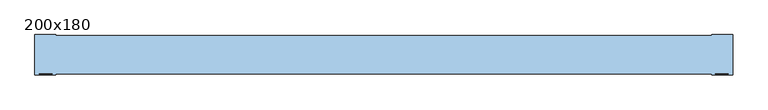
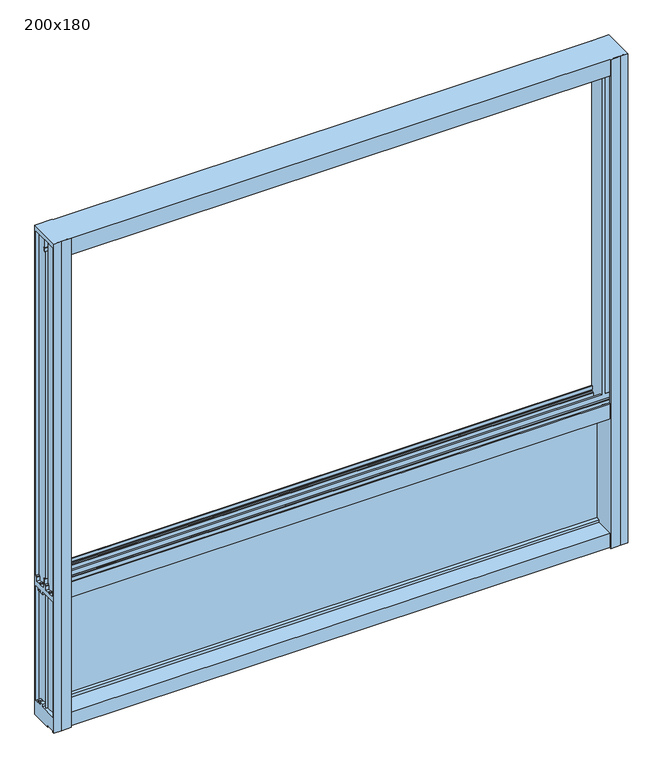
"""IFC4 building model written with IfcOpenShell, lengths in millimetres: window geometry, 200x180."""

from ifc_helpers import new_model, si_unit, frame, origin, place, context, project, spatial, polyline, outline, extrude, faceted_brep, source, transform, mapped, element, save


def window_200x180_ba4233e7(model_context):
    return source(origin(), model_context, "Body", "SolidModel", [
        faceted_brep([(1013.35, -5.3, 2473.5), (1013.35, -5.3, 673.5), (977.05, -5.3, 673.5), (977.05, -5.3, 2473.5), (977.05, 49.9, 2455.0), (977.05, 47.35, 2455.0), (977.05, 47.35, 2424.7), (977.05, 49.9, 2424.7), (977.05, 49.9, 2412.0), (977.05, 47.35, 2412.0), (977.05, 47.35, 1206.05), (977.05, 49.9, 1206.05), (977.05, -0.85, 2455.0), (977.05, -3.45, 2455.0), (977.05, -3.45, 2426.5), (977.05, -0.85, 2426.5), (977.05, 29.65, 673.5), (977.05, 29.65, 677.75), (977.05, -4.95, 677.75), (977.05, -4.95, 728.8026988), (977.05, 49.9, 728.8026988), (977.05, 49.9, 1150.55), (977.05, -4.95, 1150.55), (977.05, -4.95, 1206.05), (977.05, -0.85, 1206.05), (977.05, -0.85, 2412.0), (977.05, -4.95, 2412.0), (977.05, -4.95, 2473.5), (977.05, 4.3, 1173.5), (977.05, 4.3, 1169.65), (977.05, 21.0, 1169.65), (977.05, 21.0, 1173.5), (977.05, 25.5, 1173.5), (977.05, 25.5, 1169.65), (977.05, 42.2, 1169.65), (977.05, 42.2, 1173.5), (-973.8, 108.1, 2473.5), (-973.8, -6.8, 2473.5), (-946.5952323, -6.8, 2473.5), (-913.45, -6.8, 2473.5), (-913.45, -4.95, 2473.5), (965.85, -4.95, 2473.5), (965.85, -6.8, 2473.5), (998.9952323, -6.8, 2473.5), (1026.2, -6.8, 2473.5), (1026.2, 108.1, 2473.5), (965.85, 108.1, 2473.5), (965.85, 106.25, 2473.5), (-913.45, 106.25, 2473.5), (-913.45, 108.1, 2473.5), (1013.35, -4.95, 2473.5), (-960.95, -5.3, 2473.5), (-960.95, -4.95, 2473.5), (-924.65, -4.95, 2473.5), (-924.65, -5.3, 2473.5), (1013.35, -4.95, 2412.0), (-960.95, -4.95, 2412.0), (-924.65, -4.95, 2412.0), (-913.45, -4.95, 2412.0), (965.85, -4.95, 2412.0), (1013.35, -0.85, 2412.0), (965.85, -0.85, 2412.0), (-913.45, -0.85, 2412.0), (-960.95, -0.85, 2412.0), (-924.65, -0.85, 2412.0), (1013.35, -0.85, 1206.05), (1013.35, -0.85, 1188.85), (-960.95, -0.85, 1188.85), (-960.95, -0.85, 1206.05), (-924.65, -0.85, 1206.05), (-960.95, -0.85, 2426.5), (-924.65, -0.85, 2426.5), (-924.65, -0.85, 2455.0), (-913.45, -0.85, 2455.0), (-913.45, -0.85, 2426.5), (965.85, -0.85, 2426.5), (965.85, -0.85, 2455.0), (1013.35, -0.85, 2426.5), (-913.45, -0.85, 1206.05), (965.85, -0.85, 1206.05), (1013.35, 49.9, 2424.7), (1013.35, 49.9, 2455.0), (1013.35, 49.9, 1206.05), (1013.35, 49.9, 2412.0), (1013.35, 49.9, 728.8026988), (1013.35, 49.9, 1150.55), (-973.8, 47.35, 2424.7), (-962.75, 47.35, 2424.7), (-962.75, 49.9, 2424.7), (-973.8, 49.9, 2424.7), (965.85, 47.35, 2424.7), (965.85, 49.9, 2424.7), (-913.45, 49.9, 2424.7), (-913.45, 47.35, 2424.7), (-924.65, 47.35, 2424.7), (-924.65, 49.9, 2424.7), (-960.95, 49.9, 2424.7), (-960.95, 47.35, 2424.7), (1013.35, 47.35, 2424.7), (1015.15, 49.9, 2424.7), (1015.15, 47.35, 2424.7), (1026.2, 47.35, 2424.7), (1026.2, 49.9, 2424.7), (1015.15, 47.35, 2412.0), (1026.2, 47.35, 2412.0), (-973.8, 47.35, 2412.0), (-962.75, 47.35, 2412.0), (1026.2, 47.35, 1206.05), (1015.15, 47.35, 1206.05), (1015.15, 47.35, 1188.85), (1026.2, 47.35, 1188.85), (-973.8, 47.35, 1188.85), (-962.75, 47.35, 1188.85), (-962.75, 47.35, 1206.05), (-973.8, 47.35, 1206.05), (-960.95, 47.35, 1188.85), (1013.35, 47.35, 1188.85), (1013.35, 47.35, 1206.05), (1013.35, 47.35, 2412.0), (965.85, 47.35, 2455.0), (-913.45, 47.35, 2455.0), (-924.65, 47.35, 2455.0), (-960.95, 47.35, 2412.0), (-924.65, 47.35, 2412.0), (-924.65, 47.35, 1206.05), (-960.95, 47.35, 1206.05), (-913.45, 47.35, 1206.05), (-913.45, 47.35, 2412.0), (965.85, 47.35, 2412.0), (965.85, 47.35, 1206.05), (965.85, 49.9, 2455.0), (1013.35, 22.7303848, 2455.0), (1013.35, -3.45, 2455.0), (965.85, -3.45, 2455.0), (-913.45, -3.45, 2455.0), (-924.65, -3.45, 2455.0), (-960.95, -3.45, 2455.0), (-960.95, 22.7303848, 2455.0), (-960.95, 49.9, 2455.0), (-924.65, 49.9, 2455.0), (-913.45, 49.9, 2455.0), (-962.75, 49.9, 2455.0), (-962.75, -0.5850342, 2455.0), (-973.8, -0.5850342, 2455.0), (-973.8, 49.9, 2455.0), (1026.2, 49.9, 2455.0), (1026.2, -0.5850342, 2455.0), (1015.15, -0.5850342, 2455.0), (1015.15, 49.9, 2455.0), (1015.15, 49.9, 2412.0), (1021.428222, 49.9, 2412.0), (1021.428222, 51.425037, 2412.0), (1015.15, 51.425037, 2412.0), (1015.15, 53.95, 2412.0), (1026.2, 53.95, 2412.0), (-973.8, 53.95, 2412.0), (-962.75, 53.95, 2412.0), (-962.75, 51.425037, 2412.0), (-969.028222, 51.425037, 2412.0), (-969.028222, 49.9, 2412.0), (-962.75, 49.9, 2412.0), (-913.45, 53.95, 2412.0), (965.85, 53.95, 2412.0), (-960.95, 49.9, 2412.0), (-924.65, 49.9, 2412.0), (-913.45, -3.45, 2426.5), (965.85, -3.45, 2426.5), (-924.65, -3.45, 2426.5), (-960.95, -3.45, 2426.5), (1013.35, -3.45, 2426.5), (1026.2, 108.1, 673.5), (965.85, 108.1, 673.5), (965.85, 106.25, 673.5), (965.85, 106.25, 728.8026988), (965.85, 90.05, 728.8026988), (965.85, 90.05, 738.4026988), (965.85, 81.05, 738.4026988), (965.85, 81.05, 729.8026988), (965.85, 75.05, 729.8026988), (965.85, 75.05, 738.4026988), (965.85, 61.75, 738.4026988), (965.85, 61.75, 728.8026988), (965.85, -4.95, 728.8026988), (965.85, -4.95, 677.75), (965.85, 29.65, 677.75), (965.85, 29.65, 673.5), (965.85, -6.8, 673.5), (965.85, -4.95, 1206.05), (965.85, -4.95, 1150.55), (965.85, 61.7500001, 1150.55), (965.85, 61.7500001, 1140.95), (965.85, 75.0500001, 1140.95), (965.85, 75.0500001, 1149.55), (965.85, 81.0500001, 1149.55), (965.85, 81.0500001, 1140.95), (965.85, 90.0500001, 1140.95), (965.85, 90.0500001, 1150.55), (965.85, 106.25, 1150.55), (965.85, 106.25, 1206.05), (965.85, 102.15, 1206.05), (965.85, 102.15, 1194.85), (965.85, 104.75, 1194.85), (965.85, 104.75, 1188.85), (965.85, 101.205881, 1188.85), (965.85, 99.75, 1184.85), (965.85, 97.0, 1184.85), (965.85, 97.0, 1169.65), (965.85, 80.3, 1169.65), (965.85, 80.3, 1173.6231379), (965.85, 75.8, 1173.6231379), (965.85, 75.8, 1169.65), (965.85, 59.1000001, 1169.65), (965.85, 59.1000001, 1184.85), (965.85, 56.4000001, 1184.85), (965.85, 54.9441191, 1188.85), (965.85, 53.9500001, 1188.85), (965.85, 53.9500001, 1206.05), (965.85, 53.95, 2424.7), (965.85, 51.4, 2424.7), (965.85, 51.4, 2455.0), (965.85, 104.75, 2455.0), (965.85, 104.75, 2426.5), (965.85, 102.15, 2426.5), (965.85, 102.15, 2412.0), (965.85, 106.25, 2412.0), (965.85, 21.0, 1173.5), (965.85, 21.0, 1169.65), (965.85, 4.3, 1169.65), (965.85, 4.3, 1173.5), (965.85, 42.2, 1173.5), (965.85, 42.2, 1169.65), (965.85, 25.5, 1169.65), (965.85, 25.5, 1173.5), (-913.45, 106.25, 2412.0), (-913.45, 102.15, 2412.0), (-913.45, 102.15, 2426.5), (-913.45, 104.75, 2426.5), (-913.45, 104.75, 2455.0), (-913.45, 51.4, 2455.0), (-973.8, 51.4, 2455.0), (-973.8, 101.8850342, 2455.0), (-962.75, 101.8850342, 2455.0), (-962.75, 51.425037, 2455.0), (1015.15, 51.425037, 2455.0), (1015.15, 101.8850342, 2455.0), (1026.2, 101.8850342, 2455.0), (1026.2, 51.4, 2455.0), (1021.428222, 51.425037, 1206.05), (1015.15, 51.425037, 1206.05), (-962.75, 51.425037, 1206.05), (-969.028222, 51.425037, 1206.05), (-913.45, 51.425037, 2424.7), (1026.2, 51.425037, 2424.7), (1015.15, 51.425037, 2424.7), (-962.75, 51.425037, 2424.7), (-973.8, 51.425037, 2424.7), (-969.028222, 51.425037, 1150.55), (-962.75, 51.425037, 1150.55), (-962.75, 51.425037, 728.8026988), (-969.028222, 51.425037, 728.8026988), (1015.15, 51.425037, 1150.55), (1021.428222, 51.425037, 1150.55), (1021.428222, 51.425037, 728.8026988), (1015.15, 51.425037, 728.8026988), (-913.45, 53.95, 2424.7), (1026.2, 53.95, 2424.7), (1015.15, 53.95, 2424.7), (-962.75, 53.95, 2424.7), (-973.8, 53.95, 2424.7), (998.9952323, -6.8, 673.5), (1015.15, 49.9, 1206.05), (1021.428222, 49.9, 1206.05), (-969.028222, 49.9, 1206.05), (-962.75, 49.9, 1206.05), (-962.75, 49.9, 1150.55), (-969.028222, 49.9, 1150.55), (-969.028222, 49.9, 728.8026988), (-962.75, 49.9, 728.8026988), (1021.428222, 49.9, 1150.55), (1015.15, 49.9, 1150.55), (1015.15, 49.9, 728.8026988), (1021.428222, 49.9, 728.8026988), (-946.5952323, -6.8, 673.5), (-913.45, -6.8, 673.5), (-913.45, 29.65, 673.5), (-913.45, 29.65, 677.75), (-913.45, -4.95, 677.75), (-913.45, -4.95, 728.8026988), (-913.45, 61.75, 728.8026988), (-913.45, 61.75, 738.4026988), (-913.45, 75.05, 738.4026988), (-913.45, 75.05, 729.8026988), (-913.45, 81.05, 729.8026988), (-913.45, 81.05, 738.4026988), (-913.45, 90.05, 738.4026988), (-913.45, 90.05, 728.8026988), (-913.45, 106.25, 728.8026988), (-913.45, 106.25, 673.5), (-913.45, 108.1, 673.5), (-913.45, 53.9500001, 1206.05), (-913.45, 53.9500001, 1188.85), (-913.45, 54.9441191, 1188.85), (-913.45, 56.4000001, 1184.85), (-913.45, 59.1000001, 1184.85), (-913.45, 59.1000001, 1169.65), (-913.45, 75.8, 1169.65), (-913.45, 75.8, 1173.6231379), (-913.45, 80.3, 1173.6231379), (-913.45, 80.3, 1169.65), (-913.45, 97.0, 1169.65), (-913.45, 97.0, 1184.85), (-913.45, 99.75, 1184.85), (-913.45, 101.205881, 1188.85), (-913.45, 104.75, 1188.85), (-913.45, 104.75, 1194.85), (-913.45, 102.15, 1194.85), (-913.45, 102.15, 1206.05), (-913.45, 106.25, 1206.05), (-913.45, 106.25, 1150.55), (-913.45, 90.0500001, 1150.55), (-913.45, 90.0500001, 1140.95), (-913.45, 81.0500001, 1140.95), (-913.45, 81.0500001, 1149.55), (-913.45, 75.0500001, 1149.55), (-913.45, 75.0500001, 1140.95), (-913.45, 61.7500001, 1140.95), (-913.45, 61.7500001, 1150.55), (-913.45, -4.95, 1150.55), (-913.45, -4.95, 1206.05), (-913.45, 4.3, 1173.5), (-913.45, 4.3, 1169.65), (-913.45, 21.0, 1169.65), (-913.45, 21.0, 1173.5), (-913.45, 25.5, 1173.5), (-913.45, 25.5, 1169.65), (-913.45, 42.2, 1169.65), (-913.45, 42.2, 1173.5), (-973.8, 108.1, 673.5), (-924.65, -4.95, 1206.05), (-924.65, -4.95, 1150.55), (-924.65, 49.9, 1150.55), (-924.65, 49.9, 728.8026988), (-924.65, -4.95, 728.8026988), (-924.65, -4.95, 677.75), (-924.65, 29.65, 677.75), (-924.65, 29.65, 673.5), (-924.65, -5.3, 673.5), (-924.65, 49.9, 1206.05), (-924.65, 21.0, 1173.5), (-924.65, 21.0, 1169.65), (-924.65, 4.3, 1169.65), (-924.65, 4.3, 1173.5), (-924.65, 42.2, 1173.5), (-924.65, 42.2, 1169.65), (-924.65, 25.5, 1169.65), (-924.65, 25.5, 1173.5), (-960.95, -5.3, 673.5), (-960.95, 49.9, 1206.05), (-960.95, 49.9, 1150.55), (-960.95, 49.9, 728.8026988), (-960.95, 22.7303848, 673.5), (-960.95, 22.7303848, 677.75), (-960.95, -4.95, 677.75), (-960.95, -4.95, 728.8026988), (-960.95, 22.7303848, 728.8026988), (-960.95, 22.7303848, 1150.55), (-960.95, -4.95, 1150.55), (-960.95, -4.95, 1206.05), (-960.95, 0.0941191, 1188.85), (-960.95, 1.55, 1184.85), (-960.95, 4.3, 1184.85), (-960.95, 4.3, 1169.65), (-960.95, 21.0, 1169.65), (-960.95, 21.0, 1173.6231379), (-960.95, 22.7303848, 1173.6231379), (1026.2, -6.8, 673.5), (1026.2, -0.5850342, 673.5), (1026.2, -0.5850342, 677.75), (1026.2, 29.65, 677.75), (1026.2, 29.65, 673.5), (1026.2, 101.8850342, 1188.85), (1026.2, 101.205881, 1188.85), (1026.2, 99.75, 1184.85), (1026.2, 97.0, 1184.85), (1026.2, 97.0, 1169.65), (1026.2, 80.3, 1169.65), (1026.2, 80.3, 1173.6231379), (1026.2, 75.8, 1173.6231379), (1026.2, 75.8, 1169.65), (1026.2, 59.1000001, 1169.65), (1026.2, 59.1000001, 1184.85), (1026.2, 56.4000001, 1184.85), (1026.2, 54.9441191, 1188.85), (1026.2, 53.9500001, 1188.85), (1026.2, 53.9500001, 1206.05), (1026.2, 46.355881, 1188.85), (1026.2, 44.9, 1184.85), (1026.2, 42.2, 1184.85), (1026.2, 42.2, 1169.65), (1026.2, 25.5, 1169.65), (1026.2, 25.5, 1173.6231379), (1026.2, 21.0, 1173.6231379), (1026.2, 21.0, 1169.65), (1026.2, 4.3, 1169.65), (1026.2, 4.3, 1184.85), (1026.2, 1.55, 1184.85), (1026.2, 0.0941191, 1188.85), (1026.2, -0.5850342, 1188.85), (1026.2, 61.7500001, 1150.55), (1026.2, 61.7500001, 1140.95), (1026.2, 75.0500001, 1140.95), (1026.2, 75.0500001, 1149.55), (1026.2, 81.0500001, 1149.55), (1026.2, 81.0500001, 1140.95), (1026.2, 90.0500001, 1140.95), (1026.2, 90.0500001, 1150.55), (1026.2, 101.8850342, 1150.55), (1026.2, 101.8850342, 728.8026988), (1026.2, 90.05, 728.8026988), (1026.2, 90.05, 738.4026988), (1026.2, 81.05, 738.4026988), (1026.2, 81.05, 729.8026988), (1026.2, 75.05, 729.8026988), (1026.2, 75.05, 738.4026988), (1026.2, 61.75, 738.4026988), (1026.2, 61.75, 728.8026988), (1026.2, -0.5850342, 728.8026988), (1026.2, -0.5850342, 1150.55), (-973.8, -6.8, 673.5), (-973.8, 29.65, 673.5), (-973.8, 29.65, 677.75), (-973.8, -0.5850342, 677.75), (-973.8, -0.5850342, 673.5), (-973.8, -0.5850342, 1188.85), (-973.8, 0.0941191, 1188.85), (-973.8, 1.55, 1184.85), (-973.8, 4.3, 1184.85), (-973.8, 4.3, 1169.65), (-973.8, 21.0, 1169.65), (-973.8, 21.0, 1173.6231379), (-973.8, 25.5, 1173.6231379), (-973.8, 25.5, 1169.65), (-973.8, 42.2, 1169.65), (-973.8, 42.2, 1184.85), (-973.8, 44.9, 1184.85), (-973.8, 46.355881, 1188.85), (-973.8, 53.9500001, 1206.05), (-973.8, 53.9500001, 1188.85), (-973.8, 54.9441191, 1188.85), (-973.8, 56.4000001, 1184.85), (-973.8, 59.1000001, 1184.85), (-973.8, 59.1000001, 1169.65), (-973.8, 75.8, 1169.65), (-973.8, 75.8, 1173.6231379), (-973.8, 80.3, 1173.6231379), (-973.8, 80.3, 1169.65), (-973.8, 97.0, 1169.65), (-973.8, 97.0, 1184.85), (-973.8, 99.75, 1184.85), (-973.8, 101.205881, 1188.85), (-973.8, 101.8850342, 1188.85), (-973.8, 90.0500001, 1150.55), (-973.8, 90.0500001, 1140.95), (-973.8, 81.0500001, 1140.95), (-973.8, 81.0500001, 1149.55), (-973.8, 75.0500001, 1149.55), (-973.8, 75.0500001, 1140.95), (-973.8, 61.7500001, 1140.95), (-973.8, 61.7500001, 1150.55), (-973.8, -0.5850342, 1150.55), (-973.8, -0.5850342, 728.8026988), (-973.8, 61.75, 728.8026988), (-973.8, 61.75, 738.4026988), (-973.8, 75.05, 738.4026988), (-973.8, 75.05, 729.8026988), (-973.8, 81.05, 729.8026988), (-973.8, 81.05, 738.4026988), (-973.8, 90.05, 738.4026988), (-973.8, 90.05, 728.8026988), (-973.8, 101.8850342, 728.8026988), (-973.8, 101.8850342, 1150.55), (1013.35, 22.7303848, 1173.6231379), (1013.35, 21.0, 1173.6231379), (1013.35, 21.0, 1169.65), (1013.35, 4.3, 1169.65), (1013.35, 4.3, 1184.85), (1013.35, 1.55, 1184.85), (1013.35, 0.0941191, 1188.85), (1013.35, -4.95, 1206.05), (1013.35, -4.95, 1150.55), (1013.35, 22.7303848, 1150.55), (1013.35, 22.7303848, 728.8026988), (1013.35, -4.95, 728.8026988), (1013.35, -4.95, 677.75), (1013.35, 22.7303848, 677.75), (1013.35, 22.7303848, 673.5), (-962.75, 101.8850342, 1188.85), (-962.75, 101.8850342, 1150.55), (-962.75, 101.8850342, 728.8026988), (-962.75, -0.5850342, 1188.85), (-962.75, -0.5850342, 677.75), (-962.75, -0.5850342, 673.5), (-962.75, -0.5850342, 1150.55), (-962.75, -0.5850342, 728.8026988), (-962.75, 46.355881, 1188.85), (-962.75, 44.9, 1184.85), (-962.75, 42.2, 1184.85), (-962.75, 42.2, 1169.65), (-962.75, 25.5, 1169.65), (-962.75, 25.5, 1173.6231379), (-962.75, 21.0, 1173.6231379), (-962.75, 21.0, 1169.65), (-962.75, 4.3, 1169.65), (-962.75, 4.3, 1184.85), (-962.75, 1.55, 1184.85), (-962.75, 0.0941191, 1188.85), (-962.75, 29.65, 677.75), (-962.75, 29.65, 673.5), (1015.15, -0.5850342, 1188.85), (1015.15, 0.0941191, 1188.85), (1015.15, 1.55, 1184.85), (1015.15, 4.3, 1184.85), (1015.15, 4.3, 1169.65), (1015.15, 21.0, 1169.65), (1015.15, 21.0, 1173.6231379), (1015.15, 25.5, 1173.6231379), (1015.15, 25.5, 1169.65), (1015.15, 42.2, 1169.65), (1015.15, 42.2, 1184.85), (1015.15, 44.9, 1184.85), (1015.15, 46.355881, 1188.85), (1015.15, 29.65, 673.5), (1015.15, 29.65, 677.75), (1015.15, -0.5850342, 677.75), (1015.15, -0.5850342, 673.5), (1015.15, -0.5850342, 1150.55), (1015.15, -0.5850342, 728.8026988), (1015.15, 53.9500001, 1206.05), (1015.15, 53.9500001, 1188.85), (1015.15, 54.9441191, 1188.85), (1015.15, 56.4000001, 1184.85), (1015.15, 59.1000001, 1184.85), (1015.15, 59.1000001, 1169.65), (1015.15, 75.8, 1169.65), (1015.15, 75.8, 1173.6231379), (1015.15, 80.3, 1173.6231379), (1015.15, 80.3, 1169.65), (1015.15, 97.0, 1169.65), (1015.15, 97.0, 1184.85), (1015.15, 99.75, 1184.85), (1015.15, 101.205881, 1188.85), (1015.15, 101.8850342, 1188.85), (1015.15, 101.8850342, 1150.55), (1015.15, 90.0500001, 1150.55), (1015.15, 90.0500001, 1140.95), (1015.15, 81.0500001, 1140.95), (1015.15, 81.0500001, 1149.55), (1015.15, 75.0500001, 1149.55), (1015.15, 75.0500001, 1140.95), (1015.15, 61.7500001, 1140.95), (1015.15, 61.7500001, 1150.55), (1015.15, 61.75, 728.8026988), (1015.15, 61.75, 738.4026988), (1015.15, 75.05, 738.4026988), (1015.15, 75.05, 729.8026988), (1015.15, 81.05, 729.8026988), (1015.15, 81.05, 738.4026988), (1015.15, 90.05, 738.4026988), (1015.15, 90.05, 728.8026988), (1015.15, 101.8850342, 728.8026988), (-962.75, 101.205881, 1188.85), (-962.75, 99.75, 1184.85), (-962.75, 97.0, 1184.85), (-962.75, 97.0, 1169.65), (-962.75, 80.3, 1169.65), (-962.75, 80.3, 1173.6231379), (-962.75, 75.8, 1173.6231379), (-962.75, 75.8, 1169.65), (-962.75, 59.1000001, 1169.65), (-962.75, 59.1000001, 1184.85), (-962.75, 56.4000001, 1184.85), (-962.75, 54.9441191, 1188.85), (-962.75, 53.9500001, 1188.85), (-962.75, 53.9500001, 1206.05), (-962.75, 61.7500001, 1150.55), (-962.75, 61.7500001, 1140.95), (-962.75, 75.0500001, 1140.95), (-962.75, 75.0500001, 1149.55), (-962.75, 81.0500001, 1149.55), (-962.75, 81.0500001, 1140.95), (-962.75, 90.0500001, 1140.95), (-962.75, 90.0500001, 1150.55), (-962.75, 90.05, 728.8026988), (-962.75, 90.05, 738.4026988), (-962.75, 81.05, 738.4026988), (-962.75, 81.05, 729.8026988), (-962.75, 75.05, 729.8026988), (-962.75, 75.05, 738.4026988), (-962.75, 61.75, 738.4026988), (-962.75, 61.75, 728.8026988), (-960.95, 25.5, 1173.6231379), (-960.95, 25.5, 1169.65), (-960.95, 42.2, 1169.65), (-960.95, 42.2, 1184.85), (-960.95, 44.9, 1184.85), (-960.95, 46.355881, 1188.85), (-960.95, 29.65, 673.5), (-960.95, 29.65, 677.75), (1013.35, 46.355881, 1188.85), (1013.35, 44.9, 1184.85), (1013.35, 42.2, 1184.85), (1013.35, 42.2, 1169.65), (1013.35, 25.5, 1169.65), (1013.35, 25.5, 1173.6231379), (1013.35, 29.65, 677.75), (1013.35, 29.65, 673.5)], [[[0, 1, 2, 3]], [[4, 5, 6, 7]], [[8, 9, 10, 11]], [[12, 13, 14, 15]], [[2, 16, 17, 18, 19, 20, 21, 22, 23, 24, 25, 26, 27, 3]], [[28, 29, 30, 31]], [[32, 33, 34, 35]], [[36, 37, 38, 39, 40, 41, 42, 43, 44, 45, 46, 47, 48, 49], [0, 3, 27, 50], [51, 52, 53, 54]], [[27, 26, 55, 50]], [[52, 56, 57, 53]], [[40, 58, 59, 41]], [[26, 25, 60, 55]], [[61, 59, 58, 62]], [[56, 63, 64, 57]], [[65, 66, 67, 68, 69, 64, 63, 70, 71, 72, 73, 74, 75, 76, 12, 15, 77, 60, 25, 24], [62, 78, 79, 61]], [[7, 80, 81, 4]], [[11, 82, 83, 8]], [[20, 84, 85, 21]], [[86, 87, 88, 89]], [[90, 91, 92, 93]], [[94, 95, 96, 97]], [[98, 80, 7, 6]], [[99, 100, 101, 102]], [[101, 100, 103, 104]], [[105, 106, 87, 86]], [[107, 108, 109, 110]], [[111, 112, 113, 114]], [[115, 116, 117, 10, 9, 118, 98, 6, 5, 119, 90, 93, 120, 121, 94, 97, 122, 123, 124, 125], [126, 127, 128, 129]], [[130, 119, 5, 4, 81, 131, 132, 13, 12, 76, 133, 134, 73, 72, 135, 136, 137, 138, 139, 121, 120, 140]], [[141, 142, 143, 144]], [[145, 146, 147, 148]], [[9, 8, 83, 118]], [[104, 103, 149, 150, 151, 152, 153, 154]], [[155, 156, 157, 158, 159, 160, 106, 105]], [[127, 161, 162, 128]], [[122, 163, 164, 123]], [[74, 165, 166, 75]], [[167, 71, 70, 168]], [[169, 77, 15, 14]], [[133, 166, 165, 134]], [[135, 167, 168, 136]], [[132, 169, 14, 13]], [[45, 170, 171, 46]], [[119, 130, 91, 90]], [[75, 166, 133, 76]], [[171, 172, 173, 174, 175, 176, 177, 178, 179, 180, 181, 182, 183, 184, 185, 186, 42, 41, 59, 61, 79, 187, 188, 189, 190, 191, 192, 193, 194, 195, 196, 197, 198, 199, 200, 201, 202, 203, 204, 205, 206, 207, 208, 209, 210, 211, 212, 213, 214, 215, 216, 129, 128, 162, 217, 218, 219, 220, 221, 222, 223, 224, 47, 46]], [[225, 226, 227, 228]], [[229, 230, 231, 232]], [[47, 224, 233, 48]], [[224, 223, 234, 233]], [[223, 222, 235, 234]], [[222, 221, 236, 235]], [[221, 220, 237, 236]], [[220, 219, 238, 237]], [[239, 240, 241, 242]], [[243, 244, 245, 246]], [[152, 151, 247, 248]], [[158, 157, 249, 250]], [[219, 218, 251, 238]], [[252, 253, 243, 246]], [[254, 255, 239, 242]], [[256, 257, 258, 259]], [[260, 261, 262, 263]], [[218, 217, 264, 251]], [[265, 266, 253, 252]], [[254, 267, 268, 255]], [[154, 153, 266, 265]], [[217, 162, 161, 264]], [[268, 267, 156, 155]], [[42, 186, 269, 43]], [[141, 144, 89, 88]], [[145, 148, 99, 102]], [[150, 149, 270, 271]], [[160, 159, 272, 273]], [[91, 130, 140, 92]], [[274, 275, 276, 277]], [[278, 279, 280, 281]], [[38, 282, 283, 39]], [[93, 92, 140, 120]], [[73, 134, 165, 74]], [[283, 284, 285, 286, 287, 288, 289, 290, 291, 292, 293, 294, 295, 296, 297, 298, 49, 48, 233, 234, 235, 236, 237, 238, 251, 264, 161, 127, 126, 299, 300, 301, 302, 303, 304, 305, 306, 307, 308, 309, 310, 311, 312, 313, 314, 315, 316, 317, 318, 319, 320, 321, 322, 323, 324, 325, 326, 327, 328, 78, 62, 58, 40, 39]], [[329, 330, 331, 332]], [[333, 334, 335, 336]], [[49, 298, 337, 36]], [[54, 53, 57, 64, 69, 338, 339, 340, 341, 342, 343, 344, 345, 346]], [[121, 139, 95, 94]], [[123, 164, 347, 124]], [[71, 167, 135, 72]], [[348, 349, 350, 351]], [[352, 353, 354, 355]], [[54, 346, 356, 51]], [[139, 138, 96, 95]], [[164, 163, 357, 347]], [[340, 358, 359, 341]], [[360, 361, 362, 363, 364, 365, 366, 367, 68, 67, 368, 369, 370, 371, 372, 373, 374, 137, 136, 168, 70, 63, 56, 52, 51, 356]], [[44, 375, 376, 377, 378, 379, 170, 45], [145, 102, 101, 104, 154, 265, 252, 246, 245, 380, 381, 382, 383, 384, 385, 386, 387, 388, 389, 390, 391, 392, 393, 394, 107, 110, 395, 396, 397, 398, 399, 400, 401, 402, 403, 404, 405, 406, 407, 146], [408, 409, 410, 411, 412, 413, 414, 415, 416, 417, 418, 419, 420, 421, 422, 423, 424, 425, 426, 427]], [[43, 269, 375, 44]], [[37, 428, 282, 38]], [[428, 37, 36, 337, 429, 430, 431, 432], [239, 255, 268, 155, 105, 86, 89, 144, 143, 433, 434, 435, 436, 437, 438, 439, 440, 441, 442, 443, 444, 445, 111, 114, 446, 447, 448, 449, 450, 451, 452, 453, 454, 455, 456, 457, 458, 459, 460, 240], [461, 462, 463, 464, 465, 466, 467, 468, 469, 470, 471, 472, 473, 474, 475, 476, 477, 478, 479, 480]], [[1, 0, 50, 55, 60, 77, 169, 132, 131, 481, 482, 483, 484, 485, 486, 487, 66, 65, 488, 489, 490, 491, 492, 493, 494, 495]], [[241, 240, 460, 496]], [[497, 480, 479, 498]], [[143, 142, 499, 433]], [[432, 431, 500, 501]], [[469, 502, 503, 470]], [[142, 141, 88, 87, 106, 160, 273, 113, 112, 504, 505, 506, 507, 508, 509, 510, 511, 512, 513, 514, 515, 499]], [[501, 500, 516, 517]], [[502, 274, 277, 503]], [[148, 147, 518, 519, 520, 521, 522, 523, 524, 525, 526, 527, 528, 529, 530, 109, 108, 270, 149, 103, 100, 99]], [[531, 532, 533, 534]], [[279, 535, 536, 280]], [[159, 158, 250, 272]], [[275, 256, 259, 276]], [[151, 150, 271, 247]], [[261, 278, 281, 262]], [[244, 243, 253, 266, 153, 152, 248, 537, 538, 539, 540, 541, 542, 543, 544, 545, 546, 547, 548, 549, 550, 551]], [[552, 553, 554, 555, 556, 557, 558, 559, 560, 260, 263, 561, 562, 563, 564, 565, 566, 567, 568, 569]], [[242, 241, 496, 570, 571, 572, 573, 574, 575, 576, 577, 578, 579, 580, 581, 582, 583, 249, 157, 156, 267, 254]], [[257, 584, 585, 586, 587, 588, 589, 590, 591, 497, 498, 592, 593, 594, 595, 596, 597, 598, 599, 258]], [[138, 137, 374, 600, 601, 602, 603, 604, 605, 115, 125, 357, 163, 122, 97, 96]], [[606, 607, 361, 360]], [[358, 365, 364, 359]], [[131, 81, 80, 98, 118, 83, 82, 117, 116, 608, 609, 610, 611, 612, 613, 481]], [[495, 494, 614, 615]], [[490, 85, 84, 491]], [[147, 146, 407, 518]], [[534, 533, 377, 376]], [[535, 427, 426, 536]], [[245, 244, 551, 380]], [[416, 552, 569, 417]], [[400, 525, 524, 401]], [[439, 510, 509, 440]], [[31, 482, 481, 613, 32, 35, 229, 232, 333, 336, 352, 355, 600, 374, 373, 348, 351, 329, 332, 225, 228, 28]], [[298, 297, 172, 171, 170, 379, 531, 534, 376, 375, 269, 186, 185, 284, 283, 282, 428, 432, 501, 517, 429, 337], [356, 346, 345, 606, 360], [1, 495, 615, 16, 2]], [[433, 499, 515, 434]], [[66, 487, 368, 67]], [[406, 519, 518, 407]], [[487, 486, 369, 368]], [[434, 515, 514, 435]], [[405, 520, 519, 406]], [[486, 485, 370, 369]], [[435, 514, 513, 436]], [[404, 521, 520, 405]], [[485, 484, 29, 28, 228, 227, 330, 329, 351, 350, 371, 370]], [[436, 513, 512, 437]], [[403, 522, 521, 404]], [[227, 226, 331, 330]], [[350, 349, 372, 371]], [[484, 483, 30, 29]], [[437, 512, 511, 438]], [[402, 523, 522, 403]], [[401, 524, 523, 402]], [[332, 331, 226, 225]], [[349, 348, 373, 372]], [[483, 482, 31, 30]], [[438, 511, 510, 439]], [[440, 509, 508, 441]], [[232, 231, 334, 333]], [[355, 354, 601, 600]], [[613, 612, 33, 32]], [[399, 526, 525, 400]], [[231, 230, 335, 334]], [[354, 353, 602, 601]], [[612, 611, 34, 33]], [[441, 508, 507, 442]], [[398, 527, 526, 399]], [[230, 229, 35, 34, 611, 610, 603, 602, 353, 352, 336, 335]], [[442, 507, 506, 443]], [[397, 528, 527, 398]], [[610, 609, 604, 603]], [[443, 506, 505, 444]], [[396, 529, 528, 397]], [[609, 608, 605, 604]], [[444, 505, 504, 445]], [[395, 530, 529, 396]], [[110, 109, 530, 395]], [[115, 605, 608, 116]], [[445, 504, 112, 111]], [[129, 216, 299, 126]], [[124, 347, 357, 125]], [[114, 113, 273, 272, 250, 249, 583, 446]], [[117, 82, 11, 10]], [[394, 537, 248, 247, 271, 270, 108, 107]], [[216, 215, 300, 299]], [[446, 583, 582, 447]], [[393, 538, 537, 394]], [[215, 214, 301, 300]], [[447, 582, 581, 448]], [[392, 539, 538, 393]], [[214, 213, 302, 301]], [[448, 581, 580, 449]], [[391, 540, 539, 392]], [[213, 212, 303, 302]], [[449, 580, 579, 450]], [[390, 541, 540, 391]], [[212, 211, 304, 303]], [[450, 579, 578, 451]], [[389, 542, 541, 390]], [[211, 210, 305, 304]], [[451, 578, 577, 452]], [[388, 543, 542, 389]], [[210, 209, 306, 305]], [[452, 577, 576, 453]], [[387, 544, 543, 388]], [[209, 208, 307, 306]], [[453, 576, 575, 454]], [[386, 545, 544, 387]], [[208, 207, 308, 307]], [[454, 575, 574, 455]], [[385, 546, 545, 386]], [[207, 206, 309, 308]], [[455, 574, 573, 456]], [[384, 547, 546, 385]], [[206, 205, 310, 309]], [[456, 573, 572, 457]], [[383, 548, 547, 384]], [[205, 204, 311, 310]], [[457, 572, 571, 458]], [[382, 549, 548, 383]], [[204, 203, 312, 311]], [[458, 571, 570, 459]], [[381, 550, 549, 382]], [[203, 202, 313, 312]], [[380, 551, 550, 381]], [[459, 570, 496, 460]], [[202, 201, 314, 313]], [[201, 200, 315, 314]], [[200, 199, 316, 315]], [[199, 198, 317, 316]], [[198, 197, 318, 317]], [[197, 196, 319, 318]], [[480, 497, 591, 461]], [[415, 553, 552, 416]], [[195, 194, 321, 320]], [[413, 555, 554, 414]], [[462, 590, 589, 463]], [[194, 193, 322, 321]], [[463, 589, 588, 464]], [[412, 556, 555, 413]], [[193, 192, 323, 322]], [[464, 588, 587, 465]], [[411, 557, 556, 412]], [[192, 191, 324, 323]], [[465, 587, 586, 466]], [[410, 558, 557, 411]], [[191, 190, 325, 324]], [[466, 586, 585, 467]], [[409, 559, 558, 410]], [[190, 189, 326, 325]], [[467, 585, 584, 468]], [[408, 560, 559, 409]], [[22, 21, 85, 490, 489]], [[189, 188, 327, 326]], [[366, 365, 358, 340, 339]], [[427, 535, 279, 278, 261, 260, 560, 408]], [[468, 584, 257, 256, 275, 274, 502, 469]], [[188, 187, 328, 327]], [[339, 338, 367, 366]], [[489, 488, 23, 22]], [[24, 23, 488, 65]], [[78, 328, 187, 79]], [[68, 367, 338, 69]], [[184, 183, 286, 285]], [[344, 343, 362, 361, 607]], [[614, 494, 493, 18, 17]], [[377, 533, 532, 378]], [[430, 516, 500, 431]], [[183, 182, 287, 286]], [[343, 342, 363, 362]], [[493, 492, 19, 18]], [[182, 181, 288, 287]], [[342, 341, 359, 364, 363]], [[470, 503, 277, 276, 259, 258, 599, 471]], [[492, 491, 84, 20, 19]], [[425, 561, 263, 262, 281, 280, 536, 426]], [[181, 180, 289, 288]], [[471, 599, 598, 472]], [[424, 562, 561, 425]], [[180, 179, 290, 289]], [[472, 598, 597, 473]], [[423, 563, 562, 424]], [[179, 178, 291, 290]], [[473, 597, 596, 474]], [[422, 564, 563, 423]], [[178, 177, 292, 291]], [[474, 596, 595, 475]], [[421, 565, 564, 422]], [[177, 176, 293, 292]], [[475, 595, 594, 476]], [[420, 566, 565, 421]], [[176, 175, 294, 293]], [[476, 594, 593, 477]], [[419, 567, 566, 420]], [[174, 173, 296, 295]], [[417, 569, 568, 418]], [[478, 592, 498, 479]], [[297, 296, 173, 172]], [[429, 517, 516, 430]], [[185, 184, 285, 284]], [[345, 344, 607, 606]], [[615, 614, 17, 16]], [[378, 532, 531, 379]], [[295, 294, 175, 174]], [[477, 593, 592, 478]], [[418, 568, 567, 419]], [[320, 319, 196, 195]], [[461, 591, 590, 462]], [[414, 554, 553, 415]]]),
        extrude(outline(polyline([(974.8118757, 75.0500001), (-922.4118757, 75.0500001), (-922.4118757, 81.0500001), (974.8118757, 81.0500001), (974.8118757, 75.0500001)])), frame((0.0, 0.0, 729.8026988), z_axis=(0.0, 0.0, 1.0), x_axis=(1.0, 0.0, 0.0)), (0.0, 0.0, 1.0), 419.7473012),
    ])


if __name__ == "__main__":
    model = new_model("IFC4")
    model_context = context("Model", 3, world=origin())
    ifc_project = project(units=[si_unit("LENGTHUNIT", "METRE", prefix="MILLI")], contexts=[model_context])
    site = spatial("IfcSite", under=ifc_project)
    building = spatial("IfcBuilding", under=site)
    placement = place(None, origin())
    window_200x180_shape = window_200x180_ba4233e7(model_context)
    element("IfcWindow", 1, ObjectType="200x180", at=placement, inside=building, context=model_context, shape_type="MappedRepresentation", body=[
        mapped(window_200x180_shape, transform((0.0, 0.0, 0.0), x_axis=(1.0, 0.0, 0.0), y_axis=(0.0, 1.0, 0.0), z_axis=(0.0, 0.0, 1.0))),
    ])
    save(model, "model.ifc")
